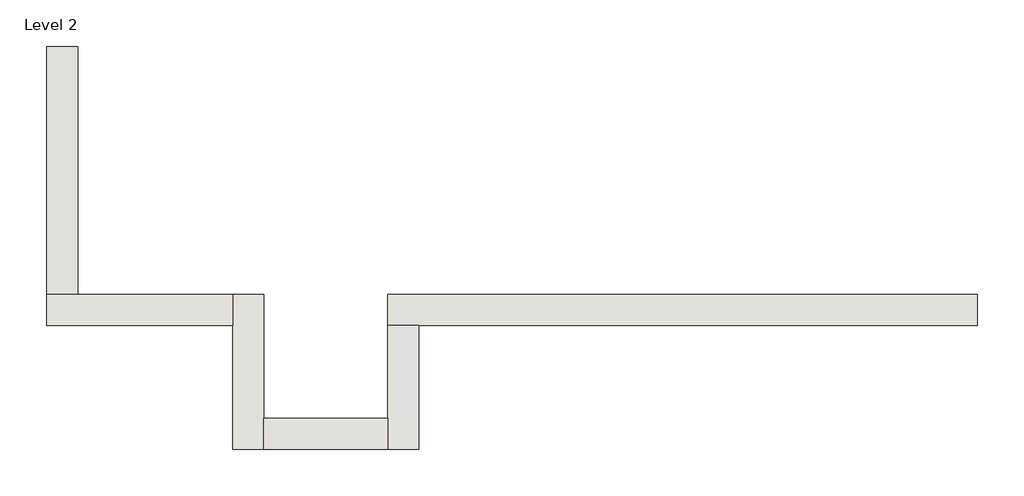
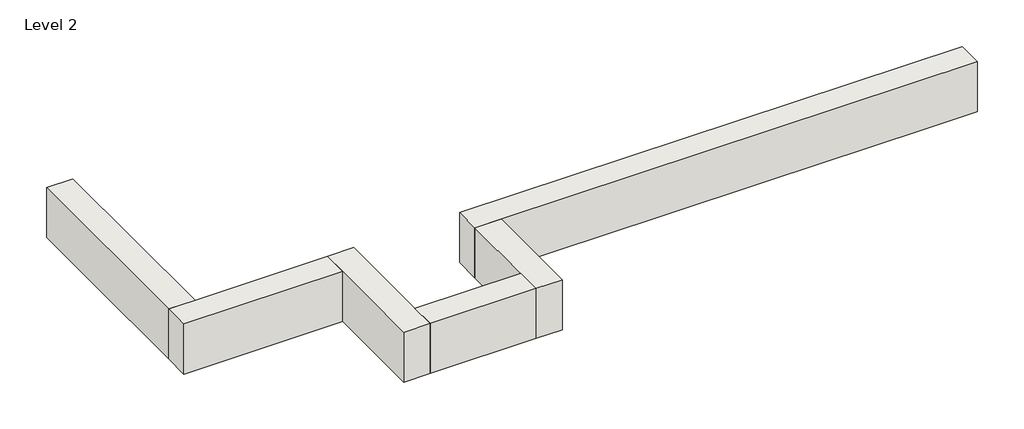
# One storey: 6 walls.
"""IFC4 building model written with IfcOpenShell, lengths in millimetres."""

from ifc_helpers import new_model, si_unit, frame, origin, place, context, project, spatial, polyline, outline, extrude, faceted_brep, element, save

model = new_model("IFC4")

# Units and contexts
model_context = context("Model", 3, world=origin())
ifc_project = project(units=[si_unit("LENGTHUNIT", "METRE", prefix="MILLI")], contexts=[model_context])

# Site, building, storey
site = spatial("IfcSite", under=ifc_project)
building = spatial("IfcBuilding", under=site)
storey = spatial("IfcBuildingStorey", under=building, Name="Level 2", Elevation=3048.0)

# Walls
placement = place(None, origin())
element("IfcWall", 1, ObjectType="Generic - 12\" Brick", at=placement, inside=storey, context=model_context, shape_type="Brep", body=[
    faceted_brep([(7315.1602383, 1523.9976187, 3048.0), (6705.557857, 1523.9976187, 3048.0), (4876.757857, 1523.9976187, 3048.0), (3657.557857, 1523.9976187, 3048.0), (1523.9602383, 1523.9976187, 3048.0), (1523.9602383, 1523.9976187, 3657.6), (7315.1602383, 1523.9976187, 3657.6), (7315.1602383, 1219.1976187, 3048.0), (7315.1602383, 1219.1976187, 3657.6), (1828.7602383, 1219.1976187, 3657.6), (1523.9602383, 1219.1976187, 3657.6), (1523.9602383, 1219.1976187, 3048.0), (1828.7602383, 1219.1976187, 3048.0), (3657.557857, 1219.1976187, 3048.0), (4876.757857, 1219.1976187, 3048.0), (6705.557857, 1219.1976187, 3048.0)], [[[0, 1, 2, 3, 4, 5, 6]], [[7, 8, 9, 10, 11, 12, 13, 14, 15]], [[4, 3, 2, 1, 0, 7, 15, 14, 13, 12, 11]], [[6, 5, 10, 9, 8]], [[0, 6, 8, 7]], [[5, 4, 11, 10]]]),
])
element("IfcWall", 2, ObjectType="Generic - 12\" Brick", at=placement, inside=storey, context=model_context, shape_type="Brep", body=[
    faceted_brep([(1523.9602383, 1219.1976187, 3048.0), (1523.9602383, 304.8, 3048.0), (1523.9602383, 0.0, 3048.0), (1523.9602383, 0.0, 3657.6), (1523.9602383, 304.8, 3657.6), (1523.9602383, 1219.1976187, 3657.6), (1828.7602383, 1219.1976187, 3048.0), (1828.7602383, 1219.1976187, 3657.6), (1828.7602383, 0.0, 3657.6), (1828.7602383, 0.0, 3048.0)], [[[0, 1, 2, 3, 4, 5]], [[6, 7, 8, 9]], [[2, 1, 0, 6, 9]], [[5, 4, 3, 8, 7]], [[0, 5, 7, 6]], [[3, 2, 9, 8]]]),
])
element("IfcWall", 3, ObjectType="Generic - 12\" Brick", at=placement, inside=storey, context=model_context, shape_type="SweptSolid", body=[
    extrude(outline(polyline([(304.757857, 304.8), (1523.9602383, 304.8), (1523.9602383, 0.0), (304.757857, 0.0), (304.757857, 304.8)])), frame((0.0, 0.0, 3048.0), z_axis=(0.0, 0.0, 1.0), x_axis=(1.0, 0.0, 0.0)), (0.0, 0.0, 1.0), 609.6),
])
element("IfcWall", 4, ObjectType="Generic - 12\" Brick", at=placement, inside=storey, context=model_context, shape_type="Brep", body=[
    faceted_brep([(304.757857, 0.0, 3048.0), (304.757857, 304.8, 3048.0), (304.757857, 1523.9976187, 3048.0), (304.757857, 1523.9976187, 3657.6), (304.757857, 304.8, 3657.6), (304.757857, 0.0, 3657.6), (-0.042143, 0.0, 3048.0), (-0.042143, 0.0, 3657.6), (-0.042143, 1219.1976187, 3657.6), (-0.042143, 1523.9976187, 3657.6), (-0.042143, 1523.9976187, 3048.0), (-0.042143, 1219.1976187, 3048.0)], [[[0, 1, 2, 3, 4, 5]], [[6, 7, 8, 9, 10, 11]], [[2, 1, 0, 6, 11, 10]], [[5, 4, 3, 9, 8, 7]], [[0, 5, 7, 6]], [[3, 2, 10, 9]]]),
])
element("IfcWall", 5, ObjectType="Generic - 12\" Brick", at=placement, inside=storey, context=model_context, shape_type="Brep", body=[
    faceted_brep([(-0.042143, 1523.9976187, 3048.0), (-1524.010393, 1523.9976187, 3048.0), (-1828.810393, 1523.9976187, 3048.0), (-1828.810393, 1523.9976187, 3657.6), (-1524.010393, 1523.9976187, 3657.6), (-0.042143, 1523.9976187, 3657.6), (-0.042143, 1219.1976187, 3048.0), (-0.042143, 1219.1976187, 3657.6), (-1828.810393, 1219.1976187, 3657.6), (-1828.810393, 1219.1976187, 3048.0)], [[[0, 1, 2, 3, 4, 5]], [[6, 7, 8, 9]], [[2, 1, 0, 6, 9]], [[5, 4, 3, 8, 7]], [[0, 5, 7, 6]], [[3, 2, 9, 8]]]),
])
element("IfcWall", 6, ObjectType="Generic - 12\" Brick", at=placement, inside=storey, context=model_context, shape_type="Brep", body=[
    faceted_brep([(-1524.010393, 1523.9976187, 3048.0), (-1524.010393, 3047.96825, 3048.0), (-1524.010393, 3962.36825, 3048.0), (-1524.010393, 3962.36825, 3657.6), (-1524.010393, 1523.9976187, 3657.6), (-1828.810393, 1523.9976187, 3048.0), (-1828.810393, 1523.9976187, 3657.6), (-1828.810393, 3962.36825, 3657.6), (-1828.810393, 3962.36825, 3048.0), (-1828.810393, 3047.96825, 3048.0)], [[[0, 1, 2, 3, 4]], [[5, 6, 7, 8, 9]], [[2, 1, 0, 5, 9, 8]], [[3, 2, 8, 7]], [[4, 3, 7, 6]], [[0, 4, 6, 5]]]),
])

save(model, "model.ifc")
